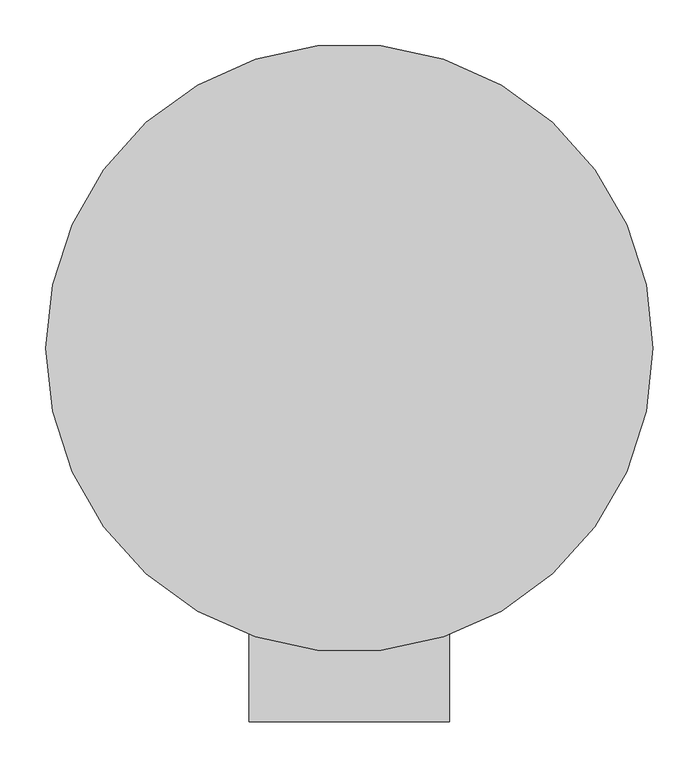
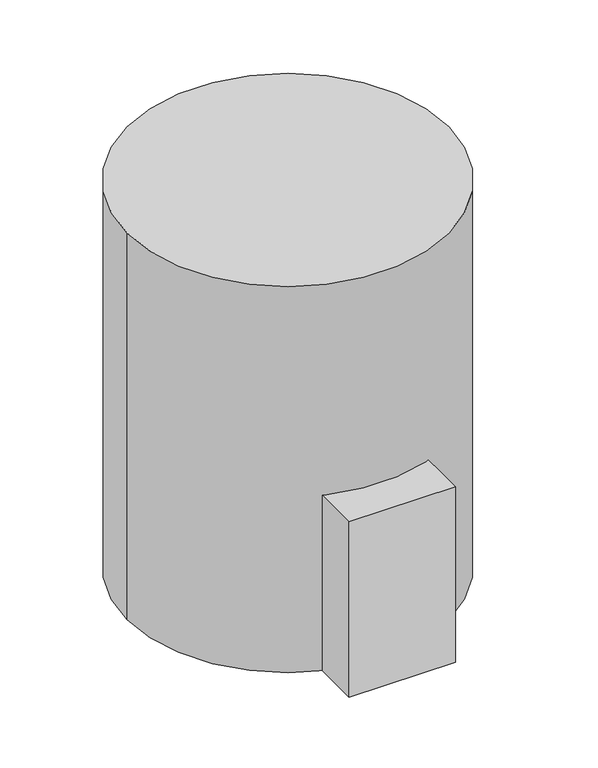
"""IFC4 building model written with IfcOpenShell, lengths in millimetres: proxy geometry."""

import ifcopenshell
import ifcopenshell.guid

model = None  # the IFC model being written
_history = None  # IfcOwnerHistory: only IFC2X3 demands one
_inside = {}  # id of a spatial element -> (the spatial element, [elements in it])
_under = {}  # id of a project, library or spatial element -> (it, [spatial elements below it])
_declared = {}  # id of a project -> (the project, [libraries it declares])
_typed = {}  # id of a type object -> (the type object, [elements of that type])
_made_of = {}  # id of a material, layer set ... -> (it, [elements and type objects made of it])


def new_model(schema):
    """Start an empty IFC model of exactly this schema.

    Asked for "IFC4X3", IfcOpenShell would pick the latest addendum, in which some entities
    have other attributes; the version numbers below select the first issue.
    IFC2X3 requires an IfcOwnerHistory on every rooted entity: one is made here for all.
    """
    global model, _history
    if schema == "IFC4X3":
        model = ifcopenshell.file(schema_version=(4, 3, 0, 0))
    else:
        model = ifcopenshell.file(schema=schema)
    _inside.clear()
    _under.clear()
    _declared.clear()
    _typed.clear()
    _made_of.clear()
    _history = None
    if model.schema == "IFC2X3":
        org = make("IfcOrganization", Name="unknown")
        user = make(
            "IfcPersonAndOrganization",
            ThePerson=make("IfcPerson", FamilyName="unknown"),
            TheOrganization=org,
        )
        app = make(
            "IfcApplication",
            ApplicationDeveloper=org,
            Version="unknown",
            ApplicationFullName="unknown",
            ApplicationIdentifier="unknown",
        )
        _history = make(
            "IfcOwnerHistory",
            OwningUser=user,
            OwningApplication=app,
            ChangeAction="ADDED",
            CreationDate=0,
        )
    return model


def make(cls, **values):
    """One entity of the class cls with the attributes given. An attribute that is None is left unset."""
    return model.create_entity(
        cls, **{name: value for name, value in values.items() if value is not None}
    )


def rooted(cls, **values):
    """An entity with a GlobalId (a new one), such as an element, a storey or a relation."""
    return make(cls, GlobalId=ifcopenshell.guid.new(), OwnerHistory=_history, **values)


def si_unit(unit_type, name, prefix=None):
    """IfcSIUnit, for example si_unit("LENGTHUNIT", "METRE", prefix="MILLI")."""
    return make("IfcSIUnit", UnitType=unit_type, Prefix=prefix, Name=name)


def assignment(units):
    """IfcUnitAssignment: the units of a project."""
    return None if units is None else make("IfcUnitAssignment", Units=units)


def point(xyz):
    """IfcCartesianPoint."""
    return None if xyz is None else make("IfcCartesianPoint", Coordinates=xyz)


def direction(xyz):
    """IfcDirection."""
    return None if xyz is None else make("IfcDirection", DirectionRatios=xyz)


def frame(location, z_axis=None, x_axis=None):
    """IfcAxis2Placement3D, a coordinate frame: its origin and axes. An axis left out is left unset."""
    return make(
        "IfcAxis2Placement3D",
        Location=point(location),
        Axis=direction(z_axis),
        RefDirection=direction(x_axis),
    )


def frame_2d(location, x_axis=None):
    """IfcAxis2Placement2D, a coordinate frame in the plane: its origin and x axis."""
    return make(
        "IfcAxis2Placement2D", Location=point(location), RefDirection=direction(x_axis)
    )


def origin():
    """The frame at (0, 0, 0) with its axes left unset."""
    return frame((0.0, 0.0, 0.0))


def origin_with_axes():
    """The frame at (0, 0, 0) with the z axis (0, 0, 1) and the x axis (1, 0, 0) written out."""
    return frame((0.0, 0.0, 0.0), z_axis=(0.0, 0.0, 1.0), x_axis=(1.0, 0.0, 0.0))


def origin_2d():
    """The frame at (0, 0) in the plane with its x axis left unset."""
    return frame_2d((0.0, 0.0))


def place(relative_to, where):
    """IfcLocalPlacement: puts the frame where relative to a parent placement (None: the world)."""
    return make(
        "IfcLocalPlacement", PlacementRelTo=relative_to, RelativePlacement=where
    )


def context(
    kind, dimensions, precision=None, world=None, true_north=None, identifier=None
):
    """IfcGeometricRepresentationContext, for example the 3D "Model" context."""
    return make(
        "IfcGeometricRepresentationContext",
        ContextIdentifier=identifier,
        ContextType=kind,
        CoordinateSpaceDimension=dimensions,
        Precision=precision,
        WorldCoordinateSystem=world,
        TrueNorth=true_north,
    )


def project(units=None, contexts=None):
    """IfcProject with its units and contexts."""
    return rooted(
        "IfcProject",
        Name="project",
        RepresentationContexts=contexts,
        UnitsInContext=assignment(units),
    )


def spatial(cls, under=None, at=None, **own):
    """A site, building, storey or space (cls), placed at a placement, below another one or the project."""
    s = rooted(cls, ObjectPlacement=at, **own)
    if under is not None:
        _under.setdefault(under.id(), (under, []))[1].append(s)
    return s


def polyline(points):
    """IfcPolyline through the points."""
    return make("IfcPolyline", Points=[point(p) for p in points])


def circle_curve(where, radius):
    """IfcCircle in the frame where."""
    return make("IfcCircle", Position=where, Radius=radius)


def trimmed(basis, trim1, trim2, sense, master):
    """IfcTrimmedCurve: the piece of a basis curve between two trims."""
    return make(
        "IfcTrimmedCurve",
        BasisCurve=basis,
        Trim1=trim1,
        Trim2=trim2,
        SenseAgreement=sense,
        MasterRepresentation=master,
    )


def segment(curve, same_sense, transition):
    """IfcCompositeCurveSegment."""
    return make(
        "IfcCompositeCurveSegment",
        Transition=transition,
        SameSense=same_sense,
        ParentCurve=curve,
    )


def composite_curve(segments, self_intersect=None):
    """IfcCompositeCurve: segments joined end to end."""
    return make("IfcCompositeCurve", Segments=segments, SelfIntersect=self_intersect)


def outline(outer, holes=None, kind="AREA"):
    """IfcArbitraryClosedProfileDef: a profile drawn as a closed curve; with holes, ...WithVoids."""
    if holes is None:
        return make("IfcArbitraryClosedProfileDef", ProfileType=kind, OuterCurve=outer)
    return make(
        "IfcArbitraryProfileDefWithVoids",
        ProfileType=kind,
        OuterCurve=outer,
        InnerCurves=holes,
    )


def extrude(swept, where, along, depth):
    """IfcExtrudedAreaSolid: the profile swept, set in the frame where, extruded along a direction by depth."""
    return make(
        "IfcExtrudedAreaSolid",
        SweptArea=swept,
        Position=where,
        ExtrudedDirection=direction(along),
        Depth=depth,
    )


def shape(context_of_items, identifier, shape_type, items):
    """IfcShapeRepresentation: the items that make up one representation, for example the "Body"."""
    return make(
        "IfcShapeRepresentation",
        ContextOfItems=context_of_items,
        RepresentationIdentifier=identifier,
        RepresentationType=shape_type,
        Items=items,
    )


def source(mapping_origin, context_of_items, identifier, shape_type, items):
    """IfcRepresentationMap: a shape defined once, which mapped items show again and again."""
    return make(
        "IfcRepresentationMap",
        MappingOrigin=mapping_origin,
        MappedRepresentation=shape(context_of_items, identifier, shape_type, items),
    )


def transform(
    local_origin,
    x_axis=None,
    y_axis=None,
    z_axis=None,
    scale=None,
    scale2=None,
    scale3=None,
    uniform=True,
):
    """IfcCartesianTransformationOperator3D, or its non-uniform kind. x_axis, y_axis, z_axis: its Axis1, 2, 3."""
    if uniform:
        return make(
            "IfcCartesianTransformationOperator3D",
            Axis1=direction(x_axis),
            Axis2=direction(y_axis),
            LocalOrigin=point(local_origin),
            Scale=scale,
            Axis3=direction(z_axis),
        )
    return make(
        "IfcCartesianTransformationOperator3DnonUniform",
        Axis1=direction(x_axis),
        Axis2=direction(y_axis),
        LocalOrigin=point(local_origin),
        Scale=scale,
        Axis3=direction(z_axis),
        Scale2=scale2,
        Scale3=scale3,
    )


def mapped(mapping_source, mapping_target):
    """IfcMappedItem: shows the shape of a source again, moved by a transform."""
    return make(
        "IfcMappedItem", MappingSource=mapping_source, MappingTarget=mapping_target
    )


def made_of(thing, what):
    """Note that an element or type object is made of a material, layer set ...; save() writes the relation."""
    if what is not None:
        _made_of.setdefault(what.id(), (what, []))[1].append(thing)
    return thing


def element(
    cls,
    number,
    at=None,
    inside=None,
    cuts=None,
    type_object=None,
    material=None,
    context=None,
    identifier="Body",
    shape_type=None,
    held_by="IfcProductDefinitionShape",
    body=None,
    shapes=None,
    **own,
):
    """One element of the class cls, such as IfcWall. Its Tag is "e" and its number.

    at: its placement. inside: the storey or other place that contains it. cuts: it is an
    opening in that element (IfcRelVoidsElement). A single representation is given by context,
    identifier, shape_type and body (its items); several are given by shapes. held_by: the class
    of the entity that holds the representations. save() writes the other relations.
    """
    e = rooted(cls, Tag="e%d" % number, ObjectPlacement=at, **own)
    if body is not None:
        shapes = [shape(context, identifier, shape_type, body)]
    if shapes is not None:
        e.Representation = make(held_by, Representations=shapes)
    if inside is not None:
        _inside.setdefault(inside.id(), (inside, []))[1].append(e)
    if cuts is not None:
        rooted(
            "IfcRelVoidsElement", RelatingBuildingElement=cuts, RelatedOpeningElement=e
        )
    if type_object is not None:
        _typed.setdefault(type_object.id(), (type_object, []))[1].append(e)
    return made_of(e, material)


def aggregate(whole, parts):
    """IfcRelAggregates: a whole, such as a stair, and the parts it consists of."""
    return rooted("IfcRelAggregates", RelatingObject=whole, RelatedObjects=parts)


def save(model, path):
    """Write the relations noted so far, then the file.

    IfcRelAggregates (storeys below a building ...), IfcRelContainedInSpatialStructure (elements
    in a storey), IfcRelDefinesByType, IfcRelAssociatesMaterial and IfcRelDeclares: one each for
    every whole, place, type object, material and project.
    """
    for whole, parts in _under.values():
        aggregate(whole, parts)
    for where, things in _inside.values():
        rooted(
            "IfcRelContainedInSpatialStructure",
            RelatedElements=things,
            RelatingStructure=where,
        )
    for kind, things in _typed.values():
        rooted("IfcRelDefinesByType", RelatedObjects=things, RelatingType=kind)
    for what, things in _made_of.values():
        rooted("IfcRelAssociatesMaterial", RelatedObjects=things, RelatingMaterial=what)
    for by, libraries in _declared.values():
        rooted("IfcRelDeclares", RelatingContext=by, RelatedDefinitions=libraries)
    model.write(path)


def mechanical_equipment_7f4071e7(model_context):
    return source(origin(), model_context, "Body", "SweptSolid", [
        extrude(outline(polyline([(-108.966, -254.0), (108.966, -254.0), (108.966, -406.4), (-108.966, -406.4), (-108.966, -254.0)])), origin_with_axes(), (0.0, 0.0, 1.0), 381.0),
        extrude(outline(composite_curve([segment(trimmed(circle_curve(origin_2d(), 330.2), [point((-330.2, 0.0))], [point((330.2, 0.0))], False, "CARTESIAN"), True, "CONTINUOUS"), segment(trimmed(circle_curve(origin_2d(), 330.2), [point((330.2, 0.0))], [point((-330.2, 0.0))], False, "CARTESIAN"), True, "CONTINUOUS")], self_intersect=False)), origin_with_axes(), (0.0, 0.0, 1.0), 838.2),
    ])


if __name__ == "__main__":
    model = new_model("IFC4")
    model_context = context("Model", 3, world=origin())
    ifc_project = project(units=[si_unit("LENGTHUNIT", "METRE", prefix="MILLI")], contexts=[model_context])
    site = spatial("IfcSite", under=ifc_project)
    building = spatial("IfcBuilding", under=site)
    placement = place(None, origin())
    mechanical_equipment_shape = mechanical_equipment_7f4071e7(model_context)
    element("IfcBuildingElementProxy", 1, Name="Mechanical Equipment", at=placement, inside=building, context=model_context, shape_type="MappedRepresentation", body=[
        mapped(mechanical_equipment_shape, transform((0.0, 0.0, 0.0), x_axis=(1.0, 0.0, 0.0), y_axis=(0.0, 1.0, 0.0), z_axis=(0.0, 0.0, 1.0))),
    ])
    save(model, "model.ifc")
